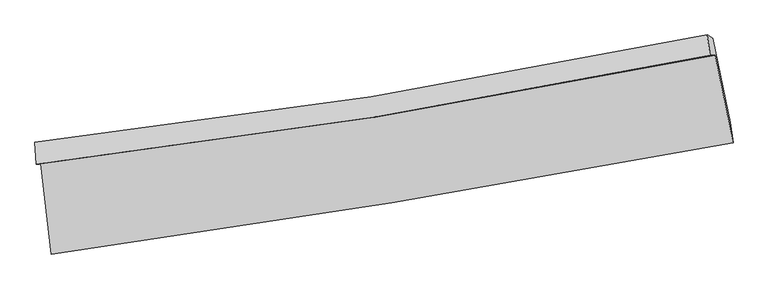
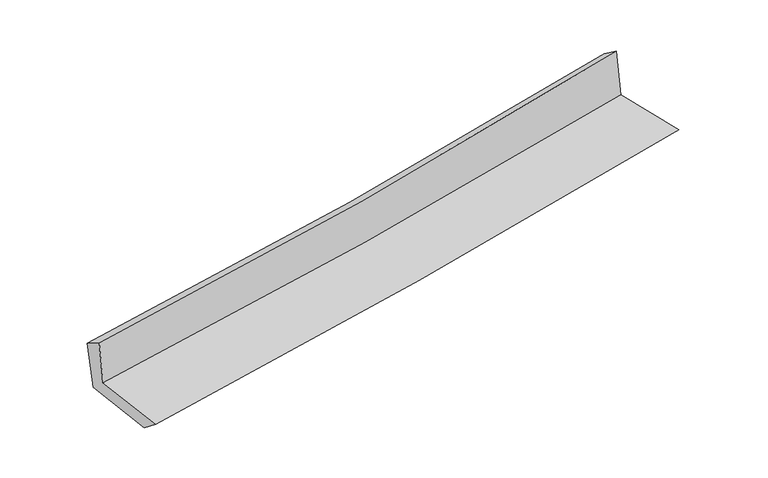
"""IFC4 building model written with IfcOpenShell, lengths in millimetres: proxy geometry."""

from ifc_helpers import new_model, si_unit, frame, origin, place, context, project, spatial, source, transform, mapped, element, save
from ifc_brep_helpers import plane_surface, spline_curve, spline_surface, advanced_brep


def generic_models_c5d048f2(model_context):
    return source(origin(), model_context, "Body", "AdvancedBrep", [
        advanced_brep(
        [(-2522.8266319, -1889.594759, 1670.1691467), (-2445.27971, -2559.2042907, 1665.553376), (2608.3608936, -1733.5750439, 2120.4701303), (2475.705825, -1085.574458, 2098.2782009), (-2557.861763, -1893.4994441, 2057.0601631), (2437.5628982, -1086.0627253, 2514.9393876), (-2567.4650779, -1729.852108, 1956.261127), (2416.0354134, -934.5970513, 2406.4734946), (-2527.2967464, -1752.2901209, 1546.4833304), (2457.5739454, -960.0370556, 2011.5340371), (-2452.4666899, -2394.9484918, 1537.6449766), (2587.2119139, -1582.116838, 2007.8974514)],
        [
            (0, 1),
            (1, 2, spline_curve(3, [(-2445.27971, -2559.2042907, 1665.553376), (-1601.995213154, -2443.536273047, 1735.276464947), (-760.553669854, -2317.153575819, 1807.917479041), (924.016863099, -2042.081411858, 1959.51892887), (1767.122187279, -1893.25436011, 2038.516832642), (2608.3608936, -1733.5750439, 2120.4701303)], [4, 2, 4], [0.0, 8.358501574559972, 16.77049677338113])),
            (2, 3),
            (3, 0, spline_curve(3, [(2475.705825, -1085.574458, 2098.2782009), (1645.534665518, -1254.540424836, 2027.920412977), (812.567152219, -1406.183739148, 1956.950019928), (-853.645785639, -1673.970889871, 1814.23923542), (-1686.855757899, -1790.33434258, 1742.506610277), (-2522.8266319, -1889.594759, 1670.1691467)], [4, 2, 4], [0.0, 8.411995198821158, 16.77049677338113])),
            (4, 0),
            (3, 5),
            (5, 4, spline_curve(3, [(2437.5628982, -1086.0627253, 2514.9393876), (1608.559711608, -1256.779161244, 2435.145052711), (776.43495973, -1409.581439107, 2356.974736986), (-888.746168959, -1678.499896929, 2204.368918008), (-1721.762971016, -1794.843192014, 2129.912825553), (-2557.861763, -1893.4994441, 2057.0601631)], [4, 2, 4], [0.0, 8.36349271289009, 16.67380023889881])),
            (6, 4),
            (5, 7),
            (7, 6, spline_curve(3, [(2416.0354134, -934.5970513, 2406.4734946), (1589.234139309, -1106.502723815, 2331.283958253), (759.206862318, -1258.876098261, 2256.051684682), (-902.00086748, -1523.713487149, 2105.980353739), (-1733.140420669, -1636.425131599, 2031.141837785), (-2567.4650779, -1729.852108, 1956.261127)], [4, 2, 4], [0.0, 8.352111130648272, 16.651109452260087])),
            (8, 6),
            (7, 9),
            (9, 8, spline_curve(3, [(2457.5739454, -960.0370556, 2011.5340371), (1630.95713035, -1133.488318861, 1932.098747212), (800.906875695, -1286.380259302, 1853.505939404), (-860.760217404, -1550.203963903, 1698.499717864), (-1692.333526515, -1661.396378556, 1622.075623769), (-2527.2967464, -1752.2901209, 1546.4833304)], [4, 2, 4], [0.0, 8.342492917436603, 16.631934190051833])),
            (10, 8),
            (9, 11),
            (11, 10, spline_curve(3, [(2587.2119139, -1582.116838, 2007.8974514), (1750.448958097, -1755.545473991, 1927.562808709), (910.7453051, -1910.151976873, 1848.085508283), (-769.184844898, -2180.857234925, 1691.345552557), (-1609.374059707, -2297.19461669, 1614.072028105), (-2452.4666899, -2394.9484918, 1537.6449766)], [4, 2, 4], [0.0, 8.39160718254237, 16.72985039245274])),
            (1, 10),
            (11, 2),
        ],
        [
            spline_surface(3, 3, [[(-2522.8266319, -1889.594759, 1670.1691467), (-1686.85575797, -1790.334342608, 1742.50661019), (-853.64578557, -1673.970889921, 1814.239235342), (812.56715215, -1406.183739098, 1956.950020006), (1645.534665417, -1254.540424768, 2027.920412907), (2475.705825, -1085.574458, 2098.2782009)], [(-2496.977657963, -2112.79793624, 1668.630556466), (-1658.568909763, -2008.068319469, 1740.096561733), (-822.61508031, -1888.36511859, 1812.131983276), (849.717055772, -1618.149629978, 1957.806322945), (1686.063839403, -1467.445069858, 2031.452552792), (2519.924181188, -1301.574653295, 2105.67551068)], [(-2471.128683937, -2336.00111346, 1667.091966234), (-1630.282061468, -2225.802296311, 1737.686513277), (-791.584375041, -2102.759347264, 1810.024731183), (886.866959403, -1830.115520863, 1958.662625855), (1726.593013425, -1680.349714963, 2034.984692735), (2564.142537412, -1517.574848605, 2113.07282052)], [(-2445.27971, -2559.2042907, 1665.553376), (-1601.995213261, -2443.536273172, 1735.276464819), (-760.553669781, -2317.153575933, 1807.917479118), (924.016863025, -2042.081411743, 1959.518928793), (1767.122187411, -1893.254360053, 2038.516832619), (2608.3608936, -1733.5750439, 2120.4701303)]], [4, 4], [4, 2, 4], [0.0, 2.1248521395187523], [0.0, 8.358501574559972, 16.77049677338113]),
            spline_surface(3, 3, [[(-2557.861763, -1893.4994441, 2057.0601631), (-1721.762971008, -1794.843191932, 2129.912825561), (-888.746169051, -1678.499896861, 2204.368918047), (776.434959823, -1409.581439176, 2356.974736947), (1608.559711572, -1256.779161346, 2435.145052606), (2437.5628982, -1086.0627253, 2514.9393876)], [(-2546.183385945, -1892.197882397, 1928.096490965), (-1710.127233307, -1793.340242155, 2000.777420436), (-877.046041224, -1676.990227903, 2074.325690461), (788.479023931, -1408.448872505, 2223.633164616), (1620.884696178, -1256.032915842, 2299.403506035), (2450.277207124, -1085.899969555, 2376.052325362)], [(-2534.505008955, -1890.896320703, 1799.132818835), (-1698.491495671, -1791.837292386, 1871.642015315), (-865.345913397, -1675.480558879, 1944.282462928), (800.523088041, -1407.316305769, 2090.291592337), (1633.209680811, -1255.286670272, 2163.661959479), (2462.991516076, -1085.737213745, 2237.165263138)], [(-2522.8266319, -1889.594759, 1670.1691467), (-1686.85575797, -1790.334342608, 1742.50661019), (-853.64578557, -1673.970889921, 1814.239235342), (812.56715215, -1406.183739098, 1956.950020006), (1645.534665417, -1254.540424768, 2027.920412907), (2475.705825, -1085.574458, 2098.2782009)]], [4, 4], [4, 2, 4], [0.0, 1.3016106278446078], [0.0, 8.31030752600872, 16.67380023889881]),
            spline_surface(3, 3, [[(-2567.4650779, -1729.852108, 1956.261127), (-1733.140420717, -1636.425131582, 2031.141837885), (-902.000867396, -1523.713487143, 2105.98035371), (759.206862234, -1258.876098267, 2256.051684711), (1589.23413933, -1106.502723761, 2331.283958118), (2416.0354134, -934.5970513, 2406.4734946)], [(-2564.263972949, -1784.401220047, 1989.860805704), (-1729.347937496, -1689.231151712, 2064.065500448), (-897.582634615, -1575.308957045, 2138.776541829), (764.949561429, -1309.111211899, 2289.69270213), (1595.675996734, -1156.594869597, 2365.904322978), (2423.211241656, -985.085609275, 2442.628792297)], [(-2561.062867951, -1838.950332053, 2023.460484396), (-1725.555454228, -1742.037171802, 2096.989162999), (-893.164401832, -1626.904426959, 2171.572729928), (770.692260627, -1359.346325543, 2323.333719528), (1602.117854169, -1206.68701551, 2400.524687746), (2430.387069944, -1035.574167325, 2478.784089903)], [(-2557.861763, -1893.4994441, 2057.0601631), (-1721.762971008, -1794.843191932, 2129.912825561), (-888.746169051, -1678.499896861, 2204.368918047), (776.434959823, -1409.581439176, 2356.974736947), (1608.559711572, -1256.779161346, 2435.145052606), (2437.5628982, -1086.0627253, 2514.9393876)]], [4, 4], [4, 2, 4], [0.0, 0.6004289214015237], [0.0, 8.298998321611815, 16.651109452260087]),
            spline_surface(3, 3, [[(-2527.2967464, -1752.2901209, 1546.4833304), (-1692.333526551, -1661.396378526, 1622.075623674), (-860.760217354, -1550.203963849, 1698.499718002), (800.906875644, -1286.380259357, 1853.505939265), (1630.957130382, -1133.488318914, 1932.098747178), (2457.5739454, -960.0370556, 2011.5340371)], [(-2540.686190232, -1744.810783262, 1683.075929266), (-1705.935824605, -1653.07262954, 1758.43102841), (-874.507100696, -1541.37380494, 1834.326596572), (787.00687118, -1277.212205653, 1987.687854415), (1617.049466707, -1124.493120537, 2065.160484145), (2443.727768076, -951.557054174, 2143.18052292)], [(-2554.075634068, -1737.331445638, 1819.668528134), (-1719.538122662, -1644.748880568, 1894.786433149), (-888.253984054, -1532.543646052, 1970.15347514), (773.106866698, -1268.044151971, 2121.869769561), (1603.141803005, -1115.497922137, 2198.222221151), (2429.881590724, -943.077052726, 2274.82700878)], [(-2567.4650779, -1729.852108, 1956.261127), (-1733.140420717, -1636.425131582, 2031.141837885), (-902.000867396, -1523.713487143, 2105.98035371), (759.206862234, -1258.876098267, 2256.051684711), (1589.23413933, -1106.502723761, 2331.283958118), (2416.0354134, -934.5970513, 2406.4734946)]], [4, 4], [4, 2, 4], [0.0, 1.3386142385782687], [0.0, 8.28944127261523, 16.631934190051833]),
            spline_surface(3, 3, [[(-2452.4666899, -2394.9484918, 1537.6449766), (-1609.374059845, -2297.194616697, 1614.072028092), (-769.184844907, -2180.857234933, 1691.345552642), (910.745305109, -1910.151976865, 1848.085508198), (1750.448958115, -1755.545474064, 1927.562808605), (2587.2119139, -1582.116838, 2007.8974514)], [(-2477.410042074, -2180.729034822, 1540.591094521), (-1637.027215421, -2085.261870629, 1616.739893274), (-799.709969059, -1970.639477917, 1693.730274444), (874.132495284, -1702.228071041, 1849.892318568), (1710.618348869, -1548.19308903, 1929.074788125), (2543.999257732, -1374.75691055, 2009.109646629)], [(-2502.353394226, -1966.509577878, 1543.537212479), (-1664.680370975, -1873.329124595, 1619.407758492), (-830.235093202, -1760.421720865, 1696.1149962), (837.519685469, -1494.304165181, 1851.699128894), (1670.787739628, -1340.840703948, 1930.586767658), (2500.786601568, -1167.39698305, 2010.321841871)], [(-2527.2967464, -1752.2901209, 1546.4833304), (-1692.333526551, -1661.396378526, 1622.075623674), (-860.760217354, -1550.203963849, 1698.499718002), (800.906875644, -1286.380259357, 1853.505939265), (1630.957130382, -1133.488318914, 1932.098747178), (2457.5739454, -960.0370556, 2011.5340371)]], [4, 4], [4, 2, 4], [0.0, 2.0842014759777077], [0.0, 8.33824320991037, 16.72985039245274]),
            spline_surface(3, 3, [[(-2445.27971, -2559.2042907, 1665.553376), (-1601.995213261, -2443.536273172, 1735.276464819), (-760.553669781, -2317.153575933, 1807.917479118), (924.016863025, -2042.081411743, 1959.518928793), (1767.122187411, -1893.254360053, 2038.516832619), (2608.3608936, -1733.5750439, 2120.4701303)], [(-2447.675369936, -2504.452357732, 1622.917242878), (-1604.454828759, -2394.755721012, 1694.874985921), (-763.430728155, -2271.721462245, 1769.060170278), (919.593010388, -1998.104933429, 1922.374455247), (1761.564444337, -1847.351398041, 2001.532157959), (2601.311233724, -1683.088975251, 2082.945904011)], [(-2450.071029964, -2449.700424768, 1580.281109722), (-1606.914444348, -2345.975168856, 1654.47350699), (-766.307786533, -2226.289348621, 1730.202861482), (915.169157746, -1954.128455179, 1885.229981744), (1756.00670119, -1801.448436076, 1964.547483265), (2594.261573776, -1632.602906649, 2045.421677689)], [(-2452.4666899, -2394.9484918, 1537.6449766), (-1609.374059845, -2297.194616697, 1614.072028092), (-769.184844907, -2180.857234933, 1691.345552642), (910.745305109, -1910.151976865, 1848.085508198), (1750.448958115, -1755.545474064, 1927.562808605), (2587.2119139, -1582.116838, 2007.8974514)]], [4, 4], [4, 2, 4], [0.0, 0.5785427930099752], [0.0, 8.395922906455938, 16.84557893017907]),
            plane_surface(frame((2497.0751483, -1230.3271953, 2193.2654503), z_axis=(0.975143519025052, 0.20269124814335462, 0.08950628597772954), x_axis=(-0.10438602473367753, 0.06393054327077723, 0.9924799461336251))),
            plane_surface(frame((-2512.1994365, -2036.5648691, 1738.86202), z_axis=(-0.9893341436546615, -0.11394847311195655, -0.09073972489792637), x_axis=(-0.11503759256069353, 0.9933375391883921, 0.006847301438492889))),
        ],
        [
            (0, [[1, 2, 3, 4]]),
            (1, [[5, -4, 6, 7]]),
            (2, [[8, -7, 9, 10]]),
            (3, [[11, -10, 12, 13]]),
            (4, [[14, -13, 15, 16]]),
            (5, [[17, -16, 18, -2]]),
            (6, [[-12, -9, -6, -3, -18, -15]]),
            (7, [[-1, -5, -8, -11, -14, -17]]),
        ],
    ),
    ])


if __name__ == "__main__":
    model = new_model("IFC4")
    model_context = context("Model", 3, world=origin())
    ifc_project = project(units=[si_unit("LENGTHUNIT", "METRE", prefix="MILLI")], contexts=[model_context])
    site = spatial("IfcSite", under=ifc_project)
    building = spatial("IfcBuilding", under=site)
    placement = place(None, origin())
    generic_models_shape = generic_models_c5d048f2(model_context)
    element("IfcBuildingElementProxy", 1, Name="Generic Models", at=placement, inside=building, context=model_context, shape_type="MappedRepresentation", body=[
        mapped(generic_models_shape, transform((0.0, 0.0, 0.0), x_axis=(1.0, 0.0, 0.0), y_axis=(0.0, 1.0, 0.0), z_axis=(0.0, 0.0, 1.0))),
    ])
    save(model, "model.ifc")
